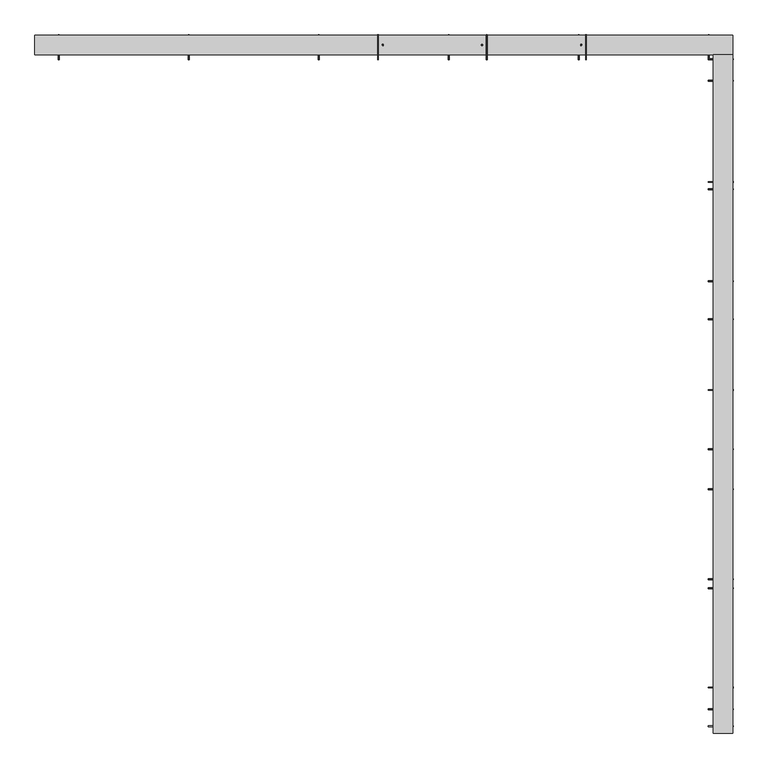
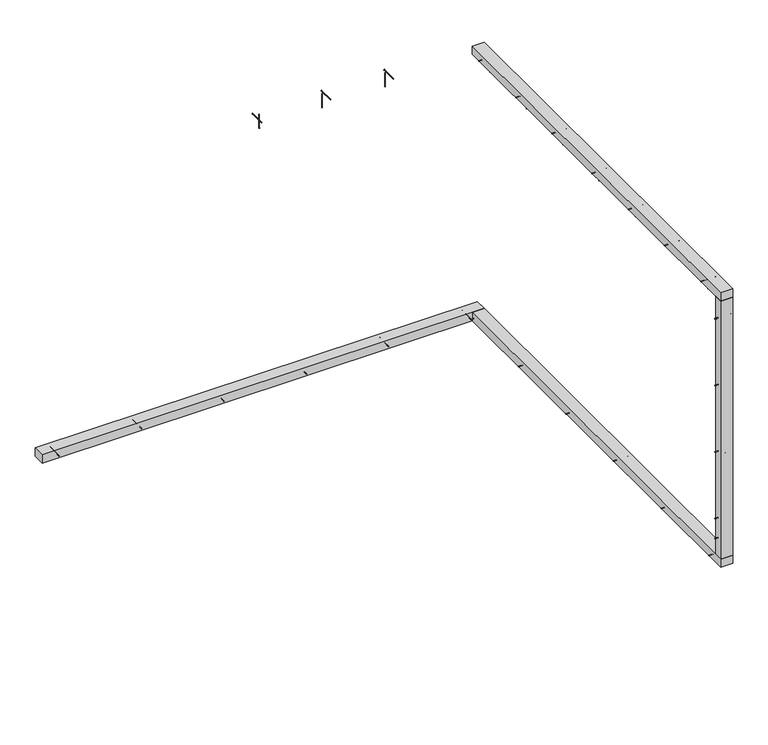
"""IFC4 building model written with IfcOpenShell, lengths in millimetres: proxy geometry."""

import ifcopenshell
import ifcopenshell.guid

model = None  # the IFC model being written
_history = None  # IfcOwnerHistory: only IFC2X3 demands one
_inside = {}  # id of a spatial element -> (the spatial element, [elements in it])
_under = {}  # id of a project, library or spatial element -> (it, [spatial elements below it])
_declared = {}  # id of a project -> (the project, [libraries it declares])
_typed = {}  # id of a type object -> (the type object, [elements of that type])
_made_of = {}  # id of a material, layer set ... -> (it, [elements and type objects made of it])


def new_model(schema):
    """Start an empty IFC model of exactly this schema.

    Asked for "IFC4X3", IfcOpenShell would pick the latest addendum, in which some entities
    have other attributes; the version numbers below select the first issue.
    IFC2X3 requires an IfcOwnerHistory on every rooted entity: one is made here for all.
    """
    global model, _history
    if schema == "IFC4X3":
        model = ifcopenshell.file(schema_version=(4, 3, 0, 0))
    else:
        model = ifcopenshell.file(schema=schema)
    _inside.clear()
    _under.clear()
    _declared.clear()
    _typed.clear()
    _made_of.clear()
    _history = None
    if model.schema == "IFC2X3":
        org = make("IfcOrganization", Name="unknown")
        user = make(
            "IfcPersonAndOrganization",
            ThePerson=make("IfcPerson", FamilyName="unknown"),
            TheOrganization=org,
        )
        app = make(
            "IfcApplication",
            ApplicationDeveloper=org,
            Version="unknown",
            ApplicationFullName="unknown",
            ApplicationIdentifier="unknown",
        )
        _history = make(
            "IfcOwnerHistory",
            OwningUser=user,
            OwningApplication=app,
            ChangeAction="ADDED",
            CreationDate=0,
        )
    return model


def make(cls, **values):
    """One entity of the class cls with the attributes given. An attribute that is None is left unset."""
    return model.create_entity(
        cls, **{name: value for name, value in values.items() if value is not None}
    )


def rooted(cls, **values):
    """An entity with a GlobalId (a new one), such as an element, a storey or a relation."""
    return make(cls, GlobalId=ifcopenshell.guid.new(), OwnerHistory=_history, **values)


def si_unit(unit_type, name, prefix=None):
    """IfcSIUnit, for example si_unit("LENGTHUNIT", "METRE", prefix="MILLI")."""
    return make("IfcSIUnit", UnitType=unit_type, Prefix=prefix, Name=name)


def assignment(units):
    """IfcUnitAssignment: the units of a project."""
    return None if units is None else make("IfcUnitAssignment", Units=units)


def point(xyz):
    """IfcCartesianPoint."""
    return None if xyz is None else make("IfcCartesianPoint", Coordinates=xyz)


def direction(xyz):
    """IfcDirection."""
    return None if xyz is None else make("IfcDirection", DirectionRatios=xyz)


def frame(location, z_axis=None, x_axis=None):
    """IfcAxis2Placement3D, a coordinate frame: its origin and axes. An axis left out is left unset."""
    return make(
        "IfcAxis2Placement3D",
        Location=point(location),
        Axis=direction(z_axis),
        RefDirection=direction(x_axis),
    )


def frame_2d(location, x_axis=None):
    """IfcAxis2Placement2D, a coordinate frame in the plane: its origin and x axis."""
    return make(
        "IfcAxis2Placement2D", Location=point(location), RefDirection=direction(x_axis)
    )


def origin():
    """The frame at (0, 0, 0) with its axes left unset."""
    return frame((0.0, 0.0, 0.0))


def origin_with_axes():
    """The frame at (0, 0, 0) with the z axis (0, 0, 1) and the x axis (1, 0, 0) written out."""
    return frame((0.0, 0.0, 0.0), z_axis=(0.0, 0.0, 1.0), x_axis=(1.0, 0.0, 0.0))


def place(relative_to, where):
    """IfcLocalPlacement: puts the frame where relative to a parent placement (None: the world)."""
    return make(
        "IfcLocalPlacement", PlacementRelTo=relative_to, RelativePlacement=where
    )


def context(
    kind, dimensions, precision=None, world=None, true_north=None, identifier=None
):
    """IfcGeometricRepresentationContext, for example the 3D "Model" context."""
    return make(
        "IfcGeometricRepresentationContext",
        ContextIdentifier=identifier,
        ContextType=kind,
        CoordinateSpaceDimension=dimensions,
        Precision=precision,
        WorldCoordinateSystem=world,
        TrueNorth=true_north,
    )


def project(units=None, contexts=None):
    """IfcProject with its units and contexts."""
    return rooted(
        "IfcProject",
        Name="project",
        RepresentationContexts=contexts,
        UnitsInContext=assignment(units),
    )


def spatial(cls, under=None, at=None, **own):
    """A site, building, storey or space (cls), placed at a placement, below another one or the project."""
    s = rooted(cls, ObjectPlacement=at, **own)
    if under is not None:
        _under.setdefault(under.id(), (under, []))[1].append(s)
    return s


def polyline(points):
    """IfcPolyline through the points."""
    return make("IfcPolyline", Points=[point(p) for p in points])


def circle_curve(where, radius):
    """IfcCircle in the frame where."""
    return make("IfcCircle", Position=where, Radius=radius)


def trimmed(basis, trim1, trim2, sense, master):
    """IfcTrimmedCurve: the piece of a basis curve between two trims."""
    return make(
        "IfcTrimmedCurve",
        BasisCurve=basis,
        Trim1=trim1,
        Trim2=trim2,
        SenseAgreement=sense,
        MasterRepresentation=master,
    )


def segment(curve, same_sense, transition):
    """IfcCompositeCurveSegment."""
    return make(
        "IfcCompositeCurveSegment",
        Transition=transition,
        SameSense=same_sense,
        ParentCurve=curve,
    )


def composite_curve(segments, self_intersect=None):
    """IfcCompositeCurve: segments joined end to end."""
    return make("IfcCompositeCurve", Segments=segments, SelfIntersect=self_intersect)


def outline(outer, holes=None, kind="AREA"):
    """IfcArbitraryClosedProfileDef: a profile drawn as a closed curve; with holes, ...WithVoids."""
    if holes is None:
        return make("IfcArbitraryClosedProfileDef", ProfileType=kind, OuterCurve=outer)
    return make(
        "IfcArbitraryProfileDefWithVoids",
        ProfileType=kind,
        OuterCurve=outer,
        InnerCurves=holes,
    )


def extrude(swept, where, along, depth):
    """IfcExtrudedAreaSolid: the profile swept, set in the frame where, extruded along a direction by depth."""
    return make(
        "IfcExtrudedAreaSolid",
        SweptArea=swept,
        Position=where,
        ExtrudedDirection=direction(along),
        Depth=depth,
    )


def shape(context_of_items, identifier, shape_type, items):
    """IfcShapeRepresentation: the items that make up one representation, for example the "Body"."""
    return make(
        "IfcShapeRepresentation",
        ContextOfItems=context_of_items,
        RepresentationIdentifier=identifier,
        RepresentationType=shape_type,
        Items=items,
    )


def source(mapping_origin, context_of_items, identifier, shape_type, items):
    """IfcRepresentationMap: a shape defined once, which mapped items show again and again."""
    return make(
        "IfcRepresentationMap",
        MappingOrigin=mapping_origin,
        MappedRepresentation=shape(context_of_items, identifier, shape_type, items),
    )


def transform(
    local_origin,
    x_axis=None,
    y_axis=None,
    z_axis=None,
    scale=None,
    scale2=None,
    scale3=None,
    uniform=True,
):
    """IfcCartesianTransformationOperator3D, or its non-uniform kind. x_axis, y_axis, z_axis: its Axis1, 2, 3."""
    if uniform:
        return make(
            "IfcCartesianTransformationOperator3D",
            Axis1=direction(x_axis),
            Axis2=direction(y_axis),
            LocalOrigin=point(local_origin),
            Scale=scale,
            Axis3=direction(z_axis),
        )
    return make(
        "IfcCartesianTransformationOperator3DnonUniform",
        Axis1=direction(x_axis),
        Axis2=direction(y_axis),
        LocalOrigin=point(local_origin),
        Scale=scale,
        Axis3=direction(z_axis),
        Scale2=scale2,
        Scale3=scale3,
    )


def mapped(mapping_source, mapping_target):
    """IfcMappedItem: shows the shape of a source again, moved by a transform."""
    return make(
        "IfcMappedItem", MappingSource=mapping_source, MappingTarget=mapping_target
    )


def made_of(thing, what):
    """Note that an element or type object is made of a material, layer set ...; save() writes the relation."""
    if what is not None:
        _made_of.setdefault(what.id(), (what, []))[1].append(thing)
    return thing


def element(
    cls,
    number,
    at=None,
    inside=None,
    cuts=None,
    type_object=None,
    material=None,
    context=None,
    identifier="Body",
    shape_type=None,
    held_by="IfcProductDefinitionShape",
    body=None,
    shapes=None,
    **own,
):
    """One element of the class cls, such as IfcWall. Its Tag is "e" and its number.

    at: its placement. inside: the storey or other place that contains it. cuts: it is an
    opening in that element (IfcRelVoidsElement). A single representation is given by context,
    identifier, shape_type and body (its items); several are given by shapes. held_by: the class
    of the entity that holds the representations. save() writes the other relations.
    """
    e = rooted(cls, Tag="e%d" % number, ObjectPlacement=at, **own)
    if body is not None:
        shapes = [shape(context, identifier, shape_type, body)]
    if shapes is not None:
        e.Representation = make(held_by, Representations=shapes)
    if inside is not None:
        _inside.setdefault(inside.id(), (inside, []))[1].append(e)
    if cuts is not None:
        rooted(
            "IfcRelVoidsElement", RelatingBuildingElement=cuts, RelatedOpeningElement=e
        )
    if type_object is not None:
        _typed.setdefault(type_object.id(), (type_object, []))[1].append(e)
    return made_of(e, material)


def aggregate(whole, parts):
    """IfcRelAggregates: a whole, such as a stair, and the parts it consists of."""
    return rooted("IfcRelAggregates", RelatingObject=whole, RelatedObjects=parts)


def save(model, path):
    """Write the relations noted so far, then the file.

    IfcRelAggregates (storeys below a building ...), IfcRelContainedInSpatialStructure (elements
    in a storey), IfcRelDefinesByType, IfcRelAssociatesMaterial and IfcRelDeclares: one each for
    every whole, place, type object, material and project.
    """
    for whole, parts in _under.values():
        aggregate(whole, parts)
    for where, things in _inside.values():
        rooted(
            "IfcRelContainedInSpatialStructure",
            RelatedElements=things,
            RelatingStructure=where,
        )
    for kind, things in _typed.values():
        rooted("IfcRelDefinesByType", RelatedObjects=things, RelatingType=kind)
    for what, things in _made_of.values():
        rooted("IfcRelAssociatesMaterial", RelatedObjects=things, RelatingMaterial=what)
    for by, libraries in _declared.values():
        rooted("IfcRelDeclares", RelatingContext=by, RelatedDefinitions=libraries)
    model.write(path)


def generic_models_c0e36dab(model_context):
    return source(origin(), model_context, "Body", "SweptSolid", [
        extrude(outline(composite_curve([segment(trimmed(circle_curve(frame_2d((-705.0, 42.5)), 2.4700592), [point((-705.0, 44.9700592))], [point((-705.0, 40.0299408))], False, "CARTESIAN"), True, "CONTINUOUS"), segment(trimmed(circle_curve(frame_2d((-705.0, 42.5)), 2.4700592), [point((-705.0, 40.0299408))], [point((-705.0, 44.9700592))], False, "CARTESIAN"), True, "CONTINUOUS")], self_intersect=False)), frame((2220.5, 0.0, 0.0), z_axis=(1.0, 0.0, 0.0), x_axis=(0.0, 1.0, 0.0)), (0.0, 0.0, 1.0), 152.0),
        extrude(outline(composite_curve([segment(trimmed(circle_curve(frame_2d((-705.0, 42.5)), 3.8), [point((-705.0, 46.3))], [point((-705.0, 38.7))], False, "CARTESIAN"), True, "CONTINUOUS"), segment(trimmed(circle_curve(frame_2d((-705.0, 42.5)), 3.8), [point((-705.0, 38.7))], [point((-705.0, 46.3))], False, "CARTESIAN"), True, "CONTINUOUS")], self_intersect=False)), frame((2372.5, 0.0, 0.0), z_axis=(1.0, 0.0, 0.0), x_axis=(0.0, 1.0, 0.0)), (0.0, 0.0, 1.0), 3.0),
        extrude(outline(composite_curve([segment(trimmed(circle_curve(frame_2d((-1520.0, 42.5)), 2.4700592), [point((-1520.0, 44.9700592))], [point((-1520.0, 40.0299408))], False, "CARTESIAN"), True, "CONTINUOUS"), segment(trimmed(circle_curve(frame_2d((-1520.0, 42.5)), 2.4700592), [point((-1520.0, 40.0299408))], [point((-1520.0, 44.9700592))], False, "CARTESIAN"), True, "CONTINUOUS")], self_intersect=False)), frame((2220.5, 0.0, 0.0), z_axis=(1.0, 0.0, 0.0), x_axis=(0.0, 1.0, 0.0)), (0.0, 0.0, 1.0), 152.0),
        extrude(outline(composite_curve([segment(trimmed(circle_curve(frame_2d((-1520.0, 42.5)), 3.8), [point((-1520.0, 46.3))], [point((-1520.0, 38.7))], False, "CARTESIAN"), True, "CONTINUOUS"), segment(trimmed(circle_curve(frame_2d((-1520.0, 42.5)), 3.8), [point((-1520.0, 38.7))], [point((-1520.0, 46.3))], False, "CARTESIAN"), True, "CONTINUOUS")], self_intersect=False)), frame((2372.5, 0.0, 0.0), z_axis=(1.0, 0.0, 0.0), x_axis=(0.0, 1.0, 0.0)), (0.0, 0.0, 1.0), 3.0),
        extrude(outline(composite_curve([segment(trimmed(circle_curve(frame_2d((-2335.0, 42.5)), 2.4700592), [point((-2335.0, 44.9700592))], [point((-2335.0, 40.0299408))], False, "CARTESIAN"), True, "CONTINUOUS"), segment(trimmed(circle_curve(frame_2d((-2335.0, 42.5)), 2.4700592), [point((-2335.0, 40.0299408))], [point((-2335.0, 44.9700592))], False, "CARTESIAN"), True, "CONTINUOUS")], self_intersect=False)), frame((2220.5, 0.0, 0.0), z_axis=(1.0, 0.0, 0.0), x_axis=(0.0, 1.0, 0.0)), (0.0, 0.0, 1.0), 152.0),
        extrude(outline(composite_curve([segment(trimmed(circle_curve(frame_2d((-2335.0, 42.5)), 3.8), [point((-2335.0, 46.3))], [point((-2335.0, 38.7))], False, "CARTESIAN"), True, "CONTINUOUS"), segment(trimmed(circle_curve(frame_2d((-2335.0, 42.5)), 3.8), [point((-2335.0, 38.7))], [point((-2335.0, 46.3))], False, "CARTESIAN"), True, "CONTINUOUS")], self_intersect=False)), frame((2372.5, 0.0, 0.0), z_axis=(1.0, 0.0, 0.0), x_axis=(0.0, 1.0, 0.0)), (0.0, 0.0, 1.0), 3.0),
        extrude(outline(composite_curve([segment(trimmed(circle_curve(frame_2d((-3150.0, 42.5)), 2.4700592), [point((-3150.0, 44.9700592))], [point((-3150.0, 40.0299408))], False, "CARTESIAN"), True, "CONTINUOUS"), segment(trimmed(circle_curve(frame_2d((-3150.0, 42.5)), 2.4700592), [point((-3150.0, 40.0299408))], [point((-3150.0, 44.9700592))], False, "CARTESIAN"), True, "CONTINUOUS")], self_intersect=False)), frame((2220.5, 0.0, 0.0), z_axis=(1.0, 0.0, 0.0), x_axis=(0.0, 1.0, 0.0)), (0.0, 0.0, 1.0), 152.0),
        extrude(outline(composite_curve([segment(trimmed(circle_curve(frame_2d((-3150.0, 42.5)), 3.8), [point((-3150.0, 46.3))], [point((-3150.0, 38.7))], False, "CARTESIAN"), True, "CONTINUOUS"), segment(trimmed(circle_curve(frame_2d((-3150.0, 42.5)), 3.8), [point((-3150.0, 38.7))], [point((-3150.0, 46.3))], False, "CARTESIAN"), True, "CONTINUOUS")], self_intersect=False)), frame((2372.5, 0.0, 0.0), z_axis=(1.0, 0.0, 0.0), x_axis=(0.0, 1.0, 0.0)), (0.0, 0.0, 1.0), 3.0),
        extrude(outline(composite_curve([segment(trimmed(circle_curve(frame_2d((110.0, 42.5)), 2.4700592), [point((110.0, 44.9700592))], [point((110.0, 40.0299408))], False, "CARTESIAN"), True, "CONTINUOUS"), segment(trimmed(circle_curve(frame_2d((110.0, 42.5)), 2.4700592), [point((110.0, 40.0299408))], [point((110.0, 44.9700592))], False, "CARTESIAN"), True, "CONTINUOUS")], self_intersect=False)), frame((2220.5, 0.0, 0.0), z_axis=(1.0, 0.0, 0.0), x_axis=(0.0, 1.0, 0.0)), (0.0, 0.0, 1.0), 152.0),
        extrude(outline(composite_curve([segment(trimmed(circle_curve(frame_2d((110.0, 42.5)), 3.8), [point((110.0, 46.3))], [point((110.0, 38.7))], False, "CARTESIAN"), True, "CONTINUOUS"), segment(trimmed(circle_curve(frame_2d((110.0, 42.5)), 3.8), [point((110.0, 38.7))], [point((110.0, 46.3))], False, "CARTESIAN"), True, "CONTINUOUS")], self_intersect=False)), frame((2372.5, 0.0, 0.0), z_axis=(1.0, 0.0, 0.0), x_axis=(0.0, 1.0, 0.0)), (0.0, 0.0, 1.0), 3.0),
        extrude(outline(composite_curve([segment(trimmed(circle_curve(frame_2d((-3965.0, 42.5)), 2.4700592), [point((-3965.0, 44.9700592))], [point((-3965.0, 40.0299408))], False, "CARTESIAN"), True, "CONTINUOUS"), segment(trimmed(circle_curve(frame_2d((-3965.0, 42.5)), 2.4700592), [point((-3965.0, 40.0299408))], [point((-3965.0, 44.9700592))], False, "CARTESIAN"), True, "CONTINUOUS")], self_intersect=False)), frame((2220.5, 0.0, 0.0), z_axis=(1.0, 0.0, 0.0), x_axis=(0.0, 1.0, 0.0)), (0.0, 0.0, 1.0), 152.0),
        extrude(outline(composite_curve([segment(trimmed(circle_curve(frame_2d((-3965.0, 42.5)), 3.8), [point((-3965.0, 46.3))], [point((-3965.0, 38.7))], False, "CARTESIAN"), True, "CONTINUOUS"), segment(trimmed(circle_curve(frame_2d((-3965.0, 42.5)), 3.8), [point((-3965.0, 38.7))], [point((-3965.0, 46.3))], False, "CARTESIAN"), True, "CONTINUOUS")], self_intersect=False)), frame((2372.5, 0.0, 0.0), z_axis=(1.0, 0.0, 0.0), x_axis=(0.0, 1.0, 0.0)), (0.0, 0.0, 1.0), 3.0),
        extrude(outline(polyline([(2252.5, 140.0), (2372.5, 140.0), (2372.5, -4115.0), (2252.5, -4115.0), (2252.5, 140.0)])), origin_with_axes(), (0.0, 0.0, 1.0), 85.0),
        extrude(outline(composite_curve([segment(trimmed(circle_curve(frame_2d((-1281.3333333, 2827.5)), 2.4700592), [point((-1281.3333333, 2829.9700592))], [point((-1281.3333333, 2825.0299408))], False, "CARTESIAN"), True, "CONTINUOUS"), segment(trimmed(circle_curve(frame_2d((-1281.3333333, 2827.5)), 2.4700592), [point((-1281.3333333, 2825.0299408))], [point((-1281.3333333, 2829.9700592))], False, "CARTESIAN"), True, "CONTINUOUS")], self_intersect=False)), frame((2220.5, 0.0, 0.0), z_axis=(1.0, 0.0, 0.0), x_axis=(0.0, 1.0, 0.0)), (0.0, 0.0, 1.0), 152.0),
        extrude(outline(composite_curve([segment(trimmed(circle_curve(frame_2d((-1281.3333333, 2827.5)), 3.8), [point((-1281.3333333, 2831.3))], [point((-1281.3333333, 2823.7))], False, "CARTESIAN"), True, "CONTINUOUS"), segment(trimmed(circle_curve(frame_2d((-1281.3333333, 2827.5)), 3.8), [point((-1281.3333333, 2823.7))], [point((-1281.3333333, 2831.3))], False, "CARTESIAN"), True, "CONTINUOUS")], self_intersect=False)), frame((2372.5, 0.0, 0.0), z_axis=(1.0, 0.0, 0.0), x_axis=(0.0, 1.0, 0.0)), (0.0, 0.0, 1.0), 3.0),
        extrude(outline(composite_curve([segment(trimmed(circle_curve(frame_2d((2312.5, -1311.3333333)), 2.4700592), [point((2310.0299408, -1311.3333333))], [point((2314.9700592, -1311.3333333))], False, "CARTESIAN"), True, "CONTINUOUS"), segment(trimmed(circle_curve(frame_2d((2312.5, -1311.3333333)), 2.4700592), [point((2314.9700592, -1311.3333333))], [point((2310.0299408, -1311.3333333))], False, "CARTESIAN"), True, "CONTINUOUS")], self_intersect=False)), frame((0.0, 0.0, 2705.0), z_axis=(0.0, 0.0, 1.0), x_axis=(1.0, 0.0, 0.0)), (0.0, 0.0, 1.0), 140.0),
        extrude(outline(composite_curve([segment(trimmed(circle_curve(frame_2d((2312.5, -1311.3333333)), 3.8), [point((2308.7, -1311.3333333))], [point((2316.3, -1311.3333333))], False, "CARTESIAN"), True, "CONTINUOUS"), segment(trimmed(circle_curve(frame_2d((2312.5, -1311.3333333)), 3.8), [point((2316.3, -1311.3333333))], [point((2308.7, -1311.3333333))], False, "CARTESIAN"), True, "CONTINUOUS")], self_intersect=False)), frame((0.0, 0.0, 2702.0), z_axis=(0.0, 0.0, 1.0), x_axis=(1.0, 0.0, 0.0)), (0.0, 0.0, 1.0), 3.0),
        extrude(outline(composite_curve([segment(trimmed(circle_curve(frame_2d((-1963.5, 2827.5)), 2.4700592), [point((-1963.5, 2829.9700592))], [point((-1963.5, 2825.0299408))], False, "CARTESIAN"), True, "CONTINUOUS"), segment(trimmed(circle_curve(frame_2d((-1963.5, 2827.5)), 2.4700592), [point((-1963.5, 2825.0299408))], [point((-1963.5, 2829.9700592))], False, "CARTESIAN"), True, "CONTINUOUS")], self_intersect=False)), frame((2220.5, 0.0, 0.0), z_axis=(1.0, 0.0, 0.0), x_axis=(0.0, 1.0, 0.0)), (0.0, 0.0, 1.0), 152.0),
        extrude(outline(composite_curve([segment(trimmed(circle_curve(frame_2d((-1963.5, 2827.5)), 3.8), [point((-1963.5, 2831.3))], [point((-1963.5, 2823.7))], False, "CARTESIAN"), True, "CONTINUOUS"), segment(trimmed(circle_curve(frame_2d((-1963.5, 2827.5)), 3.8), [point((-1963.5, 2823.7))], [point((-1963.5, 2831.3))], False, "CARTESIAN"), True, "CONTINUOUS")], self_intersect=False)), frame((2372.5, 0.0, 0.0), z_axis=(1.0, 0.0, 0.0), x_axis=(0.0, 1.0, 0.0)), (0.0, 0.0, 1.0), 3.0),
        extrude(outline(composite_curve([segment(trimmed(circle_curve(frame_2d((2312.5, -1933.5)), 2.4700592), [point((2310.0299408, -1933.5))], [point((2314.9700592, -1933.5))], False, "CARTESIAN"), True, "CONTINUOUS"), segment(trimmed(circle_curve(frame_2d((2312.5, -1933.5)), 2.4700592), [point((2314.9700592, -1933.5))], [point((2310.0299408, -1933.5))], False, "CARTESIAN"), True, "CONTINUOUS")], self_intersect=False)), frame((0.0, 0.0, 2705.0), z_axis=(0.0, 0.0, 1.0), x_axis=(1.0, 0.0, 0.0)), (0.0, 0.0, 1.0), 140.0),
        extrude(outline(composite_curve([segment(trimmed(circle_curve(frame_2d((2312.5, -1933.5)), 3.8), [point((2308.7, -1933.5))], [point((2316.3, -1933.5))], False, "CARTESIAN"), True, "CONTINUOUS"), segment(trimmed(circle_curve(frame_2d((2312.5, -1933.5)), 3.8), [point((2316.3, -1933.5))], [point((2308.7, -1933.5))], False, "CARTESIAN"), True, "CONTINUOUS")], self_intersect=False)), frame((0.0, 0.0, 2702.0), z_axis=(0.0, 0.0, 1.0), x_axis=(1.0, 0.0, 0.0)), (0.0, 0.0, 1.0), 3.0),
        extrude(outline(composite_curve([segment(trimmed(circle_curve(frame_2d((-659.1666667, 2827.5)), 2.4700592), [point((-659.1666667, 2829.9700592))], [point((-659.1666667, 2825.0299408))], False, "CARTESIAN"), True, "CONTINUOUS"), segment(trimmed(circle_curve(frame_2d((-659.1666667, 2827.5)), 2.4700592), [point((-659.1666667, 2825.0299408))], [point((-659.1666667, 2829.9700592))], False, "CARTESIAN"), True, "CONTINUOUS")], self_intersect=False)), frame((2220.5, 0.0, 0.0), z_axis=(1.0, 0.0, 0.0), x_axis=(0.0, 1.0, 0.0)), (0.0, 0.0, 1.0), 152.0),
        extrude(outline(composite_curve([segment(trimmed(circle_curve(frame_2d((-659.1666667, 2827.5)), 3.8), [point((-659.1666667, 2831.3))], [point((-659.1666667, 2823.7))], False, "CARTESIAN"), True, "CONTINUOUS"), segment(trimmed(circle_curve(frame_2d((-659.1666667, 2827.5)), 3.8), [point((-659.1666667, 2823.7))], [point((-659.1666667, 2831.3))], False, "CARTESIAN"), True, "CONTINUOUS")], self_intersect=False)), frame((2372.5, 0.0, 0.0), z_axis=(1.0, 0.0, 0.0), x_axis=(0.0, 1.0, 0.0)), (0.0, 0.0, 1.0), 3.0),
        extrude(outline(composite_curve([segment(trimmed(circle_curve(frame_2d((2312.5, -689.1666667)), 2.4700592), [point((2310.0299408, -689.1666667))], [point((2314.9700592, -689.1666667))], False, "CARTESIAN"), True, "CONTINUOUS"), segment(trimmed(circle_curve(frame_2d((2312.5, -689.1666667)), 2.4700592), [point((2314.9700592, -689.1666667))], [point((2310.0299408, -689.1666667))], False, "CARTESIAN"), True, "CONTINUOUS")], self_intersect=False)), frame((0.0, 0.0, 2705.0), z_axis=(0.0, 0.0, 1.0), x_axis=(1.0, 0.0, 0.0)), (0.0, 0.0, 1.0), 140.0),
        extrude(outline(composite_curve([segment(trimmed(circle_curve(frame_2d((2312.5, -689.1666667)), 3.8), [point((2308.7, -689.1666667))], [point((2316.3, -689.1666667))], False, "CARTESIAN"), True, "CONTINUOUS"), segment(trimmed(circle_curve(frame_2d((2312.5, -689.1666667)), 3.8), [point((2316.3, -689.1666667))], [point((2308.7, -689.1666667))], False, "CARTESIAN"), True, "CONTINUOUS")], self_intersect=False)), frame((0.0, 0.0, 2702.0), z_axis=(0.0, 0.0, 1.0), x_axis=(1.0, 0.0, 0.0)), (0.0, 0.0, 1.0), 3.0),
        extrude(outline(composite_curve([segment(trimmed(circle_curve(frame_2d((-2585.6666667, 2827.5)), 2.4700592), [point((-2585.6666667, 2829.9700592))], [point((-2585.6666667, 2825.0299408))], False, "CARTESIAN"), True, "CONTINUOUS"), segment(trimmed(circle_curve(frame_2d((-2585.6666667, 2827.5)), 2.4700592), [point((-2585.6666667, 2825.0299408))], [point((-2585.6666667, 2829.9700592))], False, "CARTESIAN"), True, "CONTINUOUS")], self_intersect=False)), frame((2220.5, 0.0, 0.0), z_axis=(1.0, 0.0, 0.0), x_axis=(0.0, 1.0, 0.0)), (0.0, 0.0, 1.0), 152.0),
        extrude(outline(composite_curve([segment(trimmed(circle_curve(frame_2d((-2585.6666667, 2827.5)), 3.8), [point((-2585.6666667, 2831.3))], [point((-2585.6666667, 2823.7))], False, "CARTESIAN"), True, "CONTINUOUS"), segment(trimmed(circle_curve(frame_2d((-2585.6666667, 2827.5)), 3.8), [point((-2585.6666667, 2823.7))], [point((-2585.6666667, 2831.3))], False, "CARTESIAN"), True, "CONTINUOUS")], self_intersect=False)), frame((2372.5, 0.0, 0.0), z_axis=(1.0, 0.0, 0.0), x_axis=(0.0, 1.0, 0.0)), (0.0, 0.0, 1.0), 3.0),
        extrude(outline(composite_curve([segment(trimmed(circle_curve(frame_2d((2312.5, -2555.6666667)), 2.4700592), [point((2310.0299408, -2555.6666667))], [point((2314.9700592, -2555.6666667))], False, "CARTESIAN"), True, "CONTINUOUS"), segment(trimmed(circle_curve(frame_2d((2312.5, -2555.6666667)), 2.4700592), [point((2314.9700592, -2555.6666667))], [point((2310.0299408, -2555.6666667))], False, "CARTESIAN"), True, "CONTINUOUS")], self_intersect=False)), frame((0.0, 0.0, 2705.0), z_axis=(0.0, 0.0, 1.0), x_axis=(1.0, 0.0, 0.0)), (0.0, 0.0, 1.0), 140.0),
        extrude(outline(composite_curve([segment(trimmed(circle_curve(frame_2d((2312.5, -2555.6666667)), 3.8), [point((2308.7, -2555.6666667))], [point((2316.3, -2555.6666667))], False, "CARTESIAN"), True, "CONTINUOUS"), segment(trimmed(circle_curve(frame_2d((2312.5, -2555.6666667)), 3.8), [point((2316.3, -2555.6666667))], [point((2308.7, -2555.6666667))], False, "CARTESIAN"), True, "CONTINUOUS")], self_intersect=False)), frame((0.0, 0.0, 2702.0), z_axis=(0.0, 0.0, 1.0), x_axis=(1.0, 0.0, 0.0)), (0.0, 0.0, 1.0), 3.0),
        extrude(outline(composite_curve([segment(trimmed(circle_curve(frame_2d((-3207.8333333, 2827.5)), 2.4700592), [point((-3207.8333333, 2829.9700592))], [point((-3207.8333333, 2825.0299408))], False, "CARTESIAN"), True, "CONTINUOUS"), segment(trimmed(circle_curve(frame_2d((-3207.8333333, 2827.5)), 2.4700592), [point((-3207.8333333, 2825.0299408))], [point((-3207.8333333, 2829.9700592))], False, "CARTESIAN"), True, "CONTINUOUS")], self_intersect=False)), frame((2220.5, 0.0, 0.0), z_axis=(1.0, 0.0, 0.0), x_axis=(0.0, 1.0, 0.0)), (0.0, 0.0, 1.0), 152.0),
        extrude(outline(composite_curve([segment(trimmed(circle_curve(frame_2d((-3207.8333333, 2827.5)), 3.8), [point((-3207.8333333, 2831.3))], [point((-3207.8333333, 2823.7))], False, "CARTESIAN"), True, "CONTINUOUS"), segment(trimmed(circle_curve(frame_2d((-3207.8333333, 2827.5)), 3.8), [point((-3207.8333333, 2823.7))], [point((-3207.8333333, 2831.3))], False, "CARTESIAN"), True, "CONTINUOUS")], self_intersect=False)), frame((2372.5, 0.0, 0.0), z_axis=(1.0, 0.0, 0.0), x_axis=(0.0, 1.0, 0.0)), (0.0, 0.0, 1.0), 3.0),
        extrude(outline(composite_curve([segment(trimmed(circle_curve(frame_2d((2312.5, -3177.8333333)), 2.4700592), [point((2310.0299408, -3177.8333333))], [point((2314.9700592, -3177.8333333))], False, "CARTESIAN"), True, "CONTINUOUS"), segment(trimmed(circle_curve(frame_2d((2312.5, -3177.8333333)), 2.4700592), [point((2314.9700592, -3177.8333333))], [point((2310.0299408, -3177.8333333))], False, "CARTESIAN"), True, "CONTINUOUS")], self_intersect=False)), frame((0.0, 0.0, 2705.0), z_axis=(0.0, 0.0, 1.0), x_axis=(1.0, 0.0, 0.0)), (0.0, 0.0, 1.0), 140.0),
        extrude(outline(composite_curve([segment(trimmed(circle_curve(frame_2d((2312.5, -3177.8333333)), 3.8), [point((2308.7, -3177.8333333))], [point((2316.3, -3177.8333333))], False, "CARTESIAN"), True, "CONTINUOUS"), segment(trimmed(circle_curve(frame_2d((2312.5, -3177.8333333)), 3.8), [point((2316.3, -3177.8333333))], [point((2308.7, -3177.8333333))], False, "CARTESIAN"), True, "CONTINUOUS")], self_intersect=False)), frame((0.0, 0.0, 2702.0), z_axis=(0.0, 0.0, 1.0), x_axis=(1.0, 0.0, 0.0)), (0.0, 0.0, 1.0), 3.0),
        extrude(outline(composite_curve([segment(trimmed(circle_curve(frame_2d((2312.5, -67.0)), 2.4700592), [point((2310.0299408, -67.0))], [point((2314.9700592, -67.0))], False, "CARTESIAN"), True, "CONTINUOUS"), segment(trimmed(circle_curve(frame_2d((2312.5, -67.0)), 2.4700592), [point((2314.9700592, -67.0))], [point((2310.0299408, -67.0))], False, "CARTESIAN"), True, "CONTINUOUS")], self_intersect=False)), frame((0.0, 0.0, 2705.0), z_axis=(0.0, 0.0, 1.0), x_axis=(1.0, 0.0, 0.0)), (0.0, 0.0, 1.0), 140.0),
        extrude(outline(composite_curve([segment(trimmed(circle_curve(frame_2d((2312.5, -67.0)), 3.8), [point((2308.7, -67.0))], [point((2316.3, -67.0))], False, "CARTESIAN"), True, "CONTINUOUS"), segment(trimmed(circle_curve(frame_2d((2312.5, -67.0)), 3.8), [point((2316.3, -67.0))], [point((2308.7, -67.0))], False, "CARTESIAN"), True, "CONTINUOUS")], self_intersect=False)), frame((0.0, 0.0, 2702.0), z_axis=(0.0, 0.0, 1.0), x_axis=(1.0, 0.0, 0.0)), (0.0, 0.0, 1.0), 3.0),
        extrude(outline(composite_curve([segment(trimmed(circle_curve(frame_2d((2312.5, -3800.0)), 2.4700592), [point((2310.0299408, -3800.0))], [point((2314.9700592, -3800.0))], False, "CARTESIAN"), True, "CONTINUOUS"), segment(trimmed(circle_curve(frame_2d((2312.5, -3800.0)), 2.4700592), [point((2314.9700592, -3800.0))], [point((2310.0299408, -3800.0))], False, "CARTESIAN"), True, "CONTINUOUS")], self_intersect=False)), frame((0.0, 0.0, 2705.0), z_axis=(0.0, 0.0, 1.0), x_axis=(1.0, 0.0, 0.0)), (0.0, 0.0, 1.0), 140.0),
        extrude(outline(composite_curve([segment(trimmed(circle_curve(frame_2d((2312.5, -3800.0)), 3.8), [point((2308.7, -3800.0))], [point((2316.3, -3800.0))], False, "CARTESIAN"), True, "CONTINUOUS"), segment(trimmed(circle_curve(frame_2d((2312.5, -3800.0)), 3.8), [point((2316.3, -3800.0))], [point((2308.7, -3800.0))], False, "CARTESIAN"), True, "CONTINUOUS")], self_intersect=False)), frame((0.0, 0.0, 2702.0), z_axis=(0.0, 0.0, 1.0), x_axis=(1.0, 0.0, 0.0)), (0.0, 0.0, 1.0), 3.0),
        extrude(outline(composite_curve([segment(trimmed(circle_curve(frame_2d((-3830.0, 2827.5)), 2.4700592), [point((-3830.0, 2829.9700592))], [point((-3830.0, 2825.0299408))], False, "CARTESIAN"), True, "CONTINUOUS"), segment(trimmed(circle_curve(frame_2d((-3830.0, 2827.5)), 2.4700592), [point((-3830.0, 2825.0299408))], [point((-3830.0, 2829.9700592))], False, "CARTESIAN"), True, "CONTINUOUS")], self_intersect=False)), frame((2220.5, 0.0, 0.0), z_axis=(1.0, 0.0, 0.0), x_axis=(0.0, 1.0, 0.0)), (0.0, 0.0, 1.0), 152.0),
        extrude(outline(composite_curve([segment(trimmed(circle_curve(frame_2d((-3830.0, 2827.5)), 3.8), [point((-3830.0, 2831.3))], [point((-3830.0, 2823.7))], False, "CARTESIAN"), True, "CONTINUOUS"), segment(trimmed(circle_curve(frame_2d((-3830.0, 2827.5)), 3.8), [point((-3830.0, 2823.7))], [point((-3830.0, 2831.3))], False, "CARTESIAN"), True, "CONTINUOUS")], self_intersect=False)), frame((2372.5, 0.0, 0.0), z_axis=(1.0, 0.0, 0.0), x_axis=(0.0, 1.0, 0.0)), (0.0, 0.0, 1.0), 3.0),
        extrude(outline(composite_curve([segment(trimmed(circle_curve(frame_2d((-25.0, 2827.5)), 2.4700592), [point((-25.0, 2829.9700592))], [point((-25.0, 2825.0299408))], False, "CARTESIAN"), True, "CONTINUOUS"), segment(trimmed(circle_curve(frame_2d((-25.0, 2827.5)), 2.4700592), [point((-25.0, 2825.0299408))], [point((-25.0, 2829.9700592))], False, "CARTESIAN"), True, "CONTINUOUS")], self_intersect=False)), frame((2220.5, 0.0, 0.0), z_axis=(1.0, 0.0, 0.0), x_axis=(0.0, 1.0, 0.0)), (0.0, 0.0, 1.0), 152.0),
        extrude(outline(composite_curve([segment(trimmed(circle_curve(frame_2d((-25.0, 2827.5)), 3.8), [point((-25.0, 2831.3))], [point((-25.0, 2823.7))], False, "CARTESIAN"), True, "CONTINUOUS"), segment(trimmed(circle_curve(frame_2d((-25.0, 2827.5)), 3.8), [point((-25.0, 2823.7))], [point((-25.0, 2831.3))], False, "CARTESIAN"), True, "CONTINUOUS")], self_intersect=False)), frame((2372.5, 0.0, 0.0), z_axis=(1.0, 0.0, 0.0), x_axis=(0.0, 1.0, 0.0)), (0.0, 0.0, 1.0), 3.0),
        extrude(outline(polyline([(2252.5, 140.0), (2372.5, 140.0), (2372.5, -4115.0), (2252.5, -4115.0), (2252.5, 140.0)])), frame((0.0, 0.0, 2785.0), z_axis=(0.0, 0.0, 1.0), x_axis=(1.0, 0.0, 0.0)), (0.0, 0.0, 1.0), 85.0),
        extrude(outline(composite_curve([segment(trimmed(circle_curve(frame_2d((-4072.5, 495.0)), 2.4700592), [point((-4074.9700592, 495.0))], [point((-4070.0299408, 495.0))], False, "CARTESIAN"), True, "CONTINUOUS"), segment(trimmed(circle_curve(frame_2d((-4072.5, 495.0)), 2.4700592), [point((-4070.0299408, 495.0))], [point((-4074.9700592, 495.0))], False, "CARTESIAN"), True, "CONTINUOUS")], self_intersect=False)), frame((2220.5, 0.0, 0.0), z_axis=(1.0, 0.0, 0.0), x_axis=(0.0, 1.0, 0.0)), (0.0, 0.0, 1.0), 152.0),
        extrude(outline(composite_curve([segment(trimmed(circle_curve(frame_2d((-4072.5, 495.0)), 3.8), [point((-4076.3, 495.0))], [point((-4068.7, 495.0))], False, "CARTESIAN"), True, "CONTINUOUS"), segment(trimmed(circle_curve(frame_2d((-4072.5, 495.0)), 3.8), [point((-4068.7, 495.0))], [point((-4076.3, 495.0))], False, "CARTESIAN"), True, "CONTINUOUS")], self_intersect=False)), frame((2372.5, 0.0, 0.0), z_axis=(1.0, 0.0, 0.0), x_axis=(0.0, 1.0, 0.0)), (0.0, 0.0, 1.0), 3.0),
        extrude(outline(composite_curve([segment(trimmed(circle_curve(frame_2d((-4072.5, 1191.6666667)), 2.4700592), [point((-4074.9700592, 1191.6666667))], [point((-4070.0299408, 1191.6666667))], False, "CARTESIAN"), True, "CONTINUOUS"), segment(trimmed(circle_curve(frame_2d((-4072.5, 1191.6666667)), 2.4700592), [point((-4070.0299408, 1191.6666667))], [point((-4074.9700592, 1191.6666667))], False, "CARTESIAN"), True, "CONTINUOUS")], self_intersect=False)), frame((2220.5, 0.0, 0.0), z_axis=(1.0, 0.0, 0.0), x_axis=(0.0, 1.0, 0.0)), (0.0, 0.0, 1.0), 152.0),
        extrude(outline(composite_curve([segment(trimmed(circle_curve(frame_2d((-4072.5, 1191.6666667)), 3.8), [point((-4076.3, 1191.6666667))], [point((-4068.7, 1191.6666667))], False, "CARTESIAN"), True, "CONTINUOUS"), segment(trimmed(circle_curve(frame_2d((-4072.5, 1191.6666667)), 3.8), [point((-4068.7, 1191.6666667))], [point((-4076.3, 1191.6666667))], False, "CARTESIAN"), True, "CONTINUOUS")], self_intersect=False)), frame((2372.5, 0.0, 0.0), z_axis=(1.0, 0.0, 0.0), x_axis=(0.0, 1.0, 0.0)), (0.0, 0.0, 1.0), 3.0),
        extrude(outline(composite_curve([segment(trimmed(circle_curve(frame_2d((1161.6666667, 2312.5)), 2.4700592), [point((1161.6666667, 2310.0299408))], [point((1161.6666667, 2314.9700592))], False, "CARTESIAN"), True, "CONTINUOUS"), segment(trimmed(circle_curve(frame_2d((1161.6666667, 2312.5)), 2.4700592), [point((1161.6666667, 2314.9700592))], [point((1161.6666667, 2310.0299408))], False, "CARTESIAN"), True, "CONTINUOUS")], self_intersect=False)), frame((0.0, -4090.0, 0.0), z_axis=(0.0, 1.0, 0.0), x_axis=(0.0, 0.0, 1.0)), (0.0, 0.0, 1.0), 140.0),
        extrude(outline(composite_curve([segment(trimmed(circle_curve(frame_2d((1161.6666667, 2312.5)), 3.8), [point((1161.6666667, 2308.7))], [point((1161.6666667, 2316.3))], False, "CARTESIAN"), True, "CONTINUOUS"), segment(trimmed(circle_curve(frame_2d((1161.6666667, 2312.5)), 3.8), [point((1161.6666667, 2316.3))], [point((1161.6666667, 2308.7))], False, "CARTESIAN"), True, "CONTINUOUS")], self_intersect=False)), frame((0.0, -3950.0, 0.0), z_axis=(0.0, 1.0, 0.0), x_axis=(0.0, 0.0, 1.0)), (0.0, 0.0, 1.0), 3.0),
        extrude(outline(composite_curve([segment(trimmed(circle_curve(frame_2d((-4072.5, 1888.3333333)), 2.4700592), [point((-4074.9700592, 1888.3333333))], [point((-4070.0299408, 1888.3333333))], False, "CARTESIAN"), True, "CONTINUOUS"), segment(trimmed(circle_curve(frame_2d((-4072.5, 1888.3333333)), 2.4700592), [point((-4070.0299408, 1888.3333333))], [point((-4074.9700592, 1888.3333333))], False, "CARTESIAN"), True, "CONTINUOUS")], self_intersect=False)), frame((2220.5, 0.0, 0.0), z_axis=(1.0, 0.0, 0.0), x_axis=(0.0, 1.0, 0.0)), (0.0, 0.0, 1.0), 152.0),
        extrude(outline(composite_curve([segment(trimmed(circle_curve(frame_2d((-4072.5, 1888.3333333)), 3.8), [point((-4076.3, 1888.3333333))], [point((-4068.7, 1888.3333333))], False, "CARTESIAN"), True, "CONTINUOUS"), segment(trimmed(circle_curve(frame_2d((-4072.5, 1888.3333333)), 3.8), [point((-4068.7, 1888.3333333))], [point((-4076.3, 1888.3333333))], False, "CARTESIAN"), True, "CONTINUOUS")], self_intersect=False)), frame((2372.5, 0.0, 0.0), z_axis=(1.0, 0.0, 0.0), x_axis=(0.0, 1.0, 0.0)), (0.0, 0.0, 1.0), 3.0),
        extrude(outline(composite_curve([segment(trimmed(circle_curve(frame_2d((1858.3333333, 2312.5)), 2.4700592), [point((1858.3333333, 2310.0299408))], [point((1858.3333333, 2314.9700592))], False, "CARTESIAN"), True, "CONTINUOUS"), segment(trimmed(circle_curve(frame_2d((1858.3333333, 2312.5)), 2.4700592), [point((1858.3333333, 2314.9700592))], [point((1858.3333333, 2310.0299408))], False, "CARTESIAN"), True, "CONTINUOUS")], self_intersect=False)), frame((0.0, -4090.0, 0.0), z_axis=(0.0, 1.0, 0.0), x_axis=(0.0, 0.0, 1.0)), (0.0, 0.0, 1.0), 140.0),
        extrude(outline(composite_curve([segment(trimmed(circle_curve(frame_2d((1858.3333333, 2312.5)), 3.8), [point((1858.3333333, 2308.7))], [point((1858.3333333, 2316.3))], False, "CARTESIAN"), True, "CONTINUOUS"), segment(trimmed(circle_curve(frame_2d((1858.3333333, 2312.5)), 3.8), [point((1858.3333333, 2316.3))], [point((1858.3333333, 2308.7))], False, "CARTESIAN"), True, "CONTINUOUS")], self_intersect=False)), frame((0.0, -3950.0, 0.0), z_axis=(0.0, 1.0, 0.0), x_axis=(0.0, 0.0, 1.0)), (0.0, 0.0, 1.0), 3.0),
        extrude(outline(composite_curve([segment(trimmed(circle_curve(frame_2d((465.0, 2312.5)), 2.4700592), [point((465.0, 2310.0299408))], [point((465.0, 2314.9700592))], False, "CARTESIAN"), True, "CONTINUOUS"), segment(trimmed(circle_curve(frame_2d((465.0, 2312.5)), 2.4700592), [point((465.0, 2314.9700592))], [point((465.0, 2310.0299408))], False, "CARTESIAN"), True, "CONTINUOUS")], self_intersect=False)), frame((0.0, -4090.0, 0.0), z_axis=(0.0, 1.0, 0.0), x_axis=(0.0, 0.0, 1.0)), (0.0, 0.0, 1.0), 140.0),
        extrude(outline(composite_curve([segment(trimmed(circle_curve(frame_2d((465.0, 2312.5)), 3.8), [point((465.0, 2308.7))], [point((465.0, 2316.3))], False, "CARTESIAN"), True, "CONTINUOUS"), segment(trimmed(circle_curve(frame_2d((465.0, 2312.5)), 3.8), [point((465.0, 2316.3))], [point((465.0, 2308.7))], False, "CARTESIAN"), True, "CONTINUOUS")], self_intersect=False)), frame((0.0, -3950.0, 0.0), z_axis=(0.0, 1.0, 0.0), x_axis=(0.0, 0.0, 1.0)), (0.0, 0.0, 1.0), 3.0),
        extrude(outline(composite_curve([segment(trimmed(circle_curve(frame_2d((2555.0, 2312.5)), 2.4700592), [point((2555.0, 2310.0299408))], [point((2555.0, 2314.9700592))], False, "CARTESIAN"), True, "CONTINUOUS"), segment(trimmed(circle_curve(frame_2d((2555.0, 2312.5)), 2.4700592), [point((2555.0, 2314.9700592))], [point((2555.0, 2310.0299408))], False, "CARTESIAN"), True, "CONTINUOUS")], self_intersect=False)), frame((0.0, -4090.0, 0.0), z_axis=(0.0, 1.0, 0.0), x_axis=(0.0, 0.0, 1.0)), (0.0, 0.0, 1.0), 140.0),
        extrude(outline(composite_curve([segment(trimmed(circle_curve(frame_2d((2555.0, 2312.5)), 3.8), [point((2555.0, 2308.7))], [point((2555.0, 2316.3))], False, "CARTESIAN"), True, "CONTINUOUS"), segment(trimmed(circle_curve(frame_2d((2555.0, 2312.5)), 3.8), [point((2555.0, 2316.3))], [point((2555.0, 2308.7))], False, "CARTESIAN"), True, "CONTINUOUS")], self_intersect=False)), frame((0.0, -3950.0, 0.0), z_axis=(0.0, 1.0, 0.0), x_axis=(0.0, 0.0, 1.0)), (0.0, 0.0, 1.0), 3.0),
        extrude(outline(composite_curve([segment(trimmed(circle_curve(frame_2d((-4072.5, 2585.0)), 2.4700592), [point((-4074.9700592, 2585.0))], [point((-4070.0299408, 2585.0))], False, "CARTESIAN"), True, "CONTINUOUS"), segment(trimmed(circle_curve(frame_2d((-4072.5, 2585.0)), 2.4700592), [point((-4070.0299408, 2585.0))], [point((-4074.9700592, 2585.0))], False, "CARTESIAN"), True, "CONTINUOUS")], self_intersect=False)), frame((2220.5, 0.0, 0.0), z_axis=(1.0, 0.0, 0.0), x_axis=(0.0, 1.0, 0.0)), (0.0, 0.0, 1.0), 152.0),
        extrude(outline(composite_curve([segment(trimmed(circle_curve(frame_2d((-4072.5, 2585.0)), 3.8), [point((-4076.3, 2585.0))], [point((-4068.7, 2585.0))], False, "CARTESIAN"), True, "CONTINUOUS"), segment(trimmed(circle_curve(frame_2d((-4072.5, 2585.0)), 3.8), [point((-4068.7, 2585.0))], [point((-4076.3, 2585.0))], False, "CARTESIAN"), True, "CONTINUOUS")], self_intersect=False)), frame((2372.5, 0.0, 0.0), z_axis=(1.0, 0.0, 0.0), x_axis=(0.0, 1.0, 0.0)), (0.0, 0.0, 1.0), 3.0),
        extrude(outline(composite_curve([segment(trimmed(circle_curve(frame_2d((-4072.5, 285.0)), 2.4700592), [point((-4074.9700592, 285.0))], [point((-4070.0299408, 285.0))], False, "CARTESIAN"), True, "CONTINUOUS"), segment(trimmed(circle_curve(frame_2d((-4072.5, 285.0)), 2.4700592), [point((-4070.0299408, 285.0))], [point((-4074.9700592, 285.0))], False, "CARTESIAN"), True, "CONTINUOUS")], self_intersect=False)), frame((2220.5, 0.0, 0.0), z_axis=(1.0, 0.0, 0.0), x_axis=(0.0, 1.0, 0.0)), (0.0, 0.0, 1.0), 152.0),
        extrude(outline(composite_curve([segment(trimmed(circle_curve(frame_2d((-4072.5, 285.0)), 3.8), [point((-4076.3, 285.0))], [point((-4068.7, 285.0))], False, "CARTESIAN"), True, "CONTINUOUS"), segment(trimmed(circle_curve(frame_2d((-4072.5, 285.0)), 3.8), [point((-4068.7, 285.0))], [point((-4076.3, 285.0))], False, "CARTESIAN"), True, "CONTINUOUS")], self_intersect=False)), frame((2372.5, 0.0, 0.0), z_axis=(1.0, 0.0, 0.0), x_axis=(0.0, 1.0, 0.0)), (0.0, 0.0, 1.0), 3.0),
        extrude(outline(polyline([(2252.5, -4115.0), (2252.5, -4030.0), (2372.5, -4030.0), (2372.5, -4115.0), (2252.5, -4115.0)])), frame((0.0, 0.0, 85.0), z_axis=(0.0, 0.0, 1.0), x_axis=(1.0, 0.0, 0.0)), (0.0, 0.0, 1.0), 2700.0),
        extrude(outline(composite_curve([segment(trimmed(circle_curve(frame_2d((42.5, 1407.5)), 2.4700592), [point((44.9700592, 1407.5))], [point((40.0299408, 1407.5))], False, "CARTESIAN"), True, "CONTINUOUS"), segment(trimmed(circle_curve(frame_2d((42.5, 1407.5)), 2.4700592), [point((40.0299408, 1407.5))], [point((44.9700592, 1407.5))], False, "CARTESIAN"), True, "CONTINUOUS")], self_intersect=False)), frame((0.0, 108.0, 0.0), z_axis=(0.0, 1.0, 0.0), x_axis=(0.0, 0.0, 1.0)), (0.0, 0.0, 1.0), 152.0),
        extrude(outline(composite_curve([segment(trimmed(circle_curve(frame_2d((42.5, 1407.5)), 3.8), [point((46.3, 1407.5))], [point((38.7, 1407.5))], False, "CARTESIAN"), True, "CONTINUOUS"), segment(trimmed(circle_curve(frame_2d((42.5, 1407.5)), 3.8), [point((38.7, 1407.5))], [point((46.3, 1407.5))], False, "CARTESIAN"), True, "CONTINUOUS")], self_intersect=False)), frame((0.0, 260.0, 0.0), z_axis=(0.0, 1.0, 0.0), x_axis=(0.0, 0.0, 1.0)), (0.0, 0.0, 1.0), 3.0),
        extrude(outline(composite_curve([segment(trimmed(circle_curve(frame_2d((42.5, 592.5)), 2.4700592), [point((44.9700592, 592.5))], [point((40.0299408, 592.5))], False, "CARTESIAN"), True, "CONTINUOUS"), segment(trimmed(circle_curve(frame_2d((42.5, 592.5)), 2.4700592), [point((40.0299408, 592.5))], [point((44.9700592, 592.5))], False, "CARTESIAN"), True, "CONTINUOUS")], self_intersect=False)), frame((0.0, 108.0, 0.0), z_axis=(0.0, 1.0, 0.0), x_axis=(0.0, 0.0, 1.0)), (0.0, 0.0, 1.0), 152.0),
        extrude(outline(composite_curve([segment(trimmed(circle_curve(frame_2d((42.5, 592.5)), 3.8), [point((46.3, 592.5))], [point((38.7, 592.5))], False, "CARTESIAN"), True, "CONTINUOUS"), segment(trimmed(circle_curve(frame_2d((42.5, 592.5)), 3.8), [point((38.7, 592.5))], [point((46.3, 592.5))], False, "CARTESIAN"), True, "CONTINUOUS")], self_intersect=False)), frame((0.0, 260.0, 0.0), z_axis=(0.0, 1.0, 0.0), x_axis=(0.0, 0.0, 1.0)), (0.0, 0.0, 1.0), 3.0),
        extrude(outline(composite_curve([segment(trimmed(circle_curve(frame_2d((42.5, -222.5)), 2.4700592), [point((44.9700592, -222.5))], [point((40.0299408, -222.5))], False, "CARTESIAN"), True, "CONTINUOUS"), segment(trimmed(circle_curve(frame_2d((42.5, -222.5)), 2.4700592), [point((40.0299408, -222.5))], [point((44.9700592, -222.5))], False, "CARTESIAN"), True, "CONTINUOUS")], self_intersect=False)), frame((0.0, 108.0, 0.0), z_axis=(0.0, 1.0, 0.0), x_axis=(0.0, 0.0, 1.0)), (0.0, 0.0, 1.0), 152.0),
        extrude(outline(composite_curve([segment(trimmed(circle_curve(frame_2d((42.5, -222.5)), 3.8), [point((46.3, -222.5))], [point((38.7, -222.5))], False, "CARTESIAN"), True, "CONTINUOUS"), segment(trimmed(circle_curve(frame_2d((42.5, -222.5)), 3.8), [point((38.7, -222.5))], [point((46.3, -222.5))], False, "CARTESIAN"), True, "CONTINUOUS")], self_intersect=False)), frame((0.0, 260.0, 0.0), z_axis=(0.0, 1.0, 0.0), x_axis=(0.0, 0.0, 1.0)), (0.0, 0.0, 1.0), 3.0),
        extrude(outline(composite_curve([segment(trimmed(circle_curve(frame_2d((42.5, -1037.5)), 2.4700592), [point((44.9700592, -1037.5))], [point((40.0299408, -1037.5))], False, "CARTESIAN"), True, "CONTINUOUS"), segment(trimmed(circle_curve(frame_2d((42.5, -1037.5)), 2.4700592), [point((40.0299408, -1037.5))], [point((44.9700592, -1037.5))], False, "CARTESIAN"), True, "CONTINUOUS")], self_intersect=False)), frame((0.0, 108.0, 0.0), z_axis=(0.0, 1.0, 0.0), x_axis=(0.0, 0.0, 1.0)), (0.0, 0.0, 1.0), 152.0),
        extrude(outline(composite_curve([segment(trimmed(circle_curve(frame_2d((42.5, -1037.5)), 3.8), [point((46.3, -1037.5))], [point((38.7, -1037.5))], False, "CARTESIAN"), True, "CONTINUOUS"), segment(trimmed(circle_curve(frame_2d((42.5, -1037.5)), 3.8), [point((38.7, -1037.5))], [point((46.3, -1037.5))], False, "CARTESIAN"), True, "CONTINUOUS")], self_intersect=False)), frame((0.0, 260.0, 0.0), z_axis=(0.0, 1.0, 0.0), x_axis=(0.0, 0.0, 1.0)), (0.0, 0.0, 1.0), 3.0),
        extrude(outline(composite_curve([segment(trimmed(circle_curve(frame_2d((42.5, 2222.5)), 2.4700592), [point((44.9700592, 2222.5))], [point((40.0299408, 2222.5))], False, "CARTESIAN"), True, "CONTINUOUS"), segment(trimmed(circle_curve(frame_2d((42.5, 2222.5)), 2.4700592), [point((40.0299408, 2222.5))], [point((44.9700592, 2222.5))], False, "CARTESIAN"), True, "CONTINUOUS")], self_intersect=False)), frame((0.0, 108.0, 0.0), z_axis=(0.0, 1.0, 0.0), x_axis=(0.0, 0.0, 1.0)), (0.0, 0.0, 1.0), 152.0),
        extrude(outline(composite_curve([segment(trimmed(circle_curve(frame_2d((42.5, 2222.5)), 3.8), [point((46.3, 2222.5))], [point((38.7, 2222.5))], False, "CARTESIAN"), True, "CONTINUOUS"), segment(trimmed(circle_curve(frame_2d((42.5, 2222.5)), 3.8), [point((38.7, 2222.5))], [point((46.3, 2222.5))], False, "CARTESIAN"), True, "CONTINUOUS")], self_intersect=False)), frame((0.0, 260.0, 0.0), z_axis=(0.0, 1.0, 0.0), x_axis=(0.0, 0.0, 1.0)), (0.0, 0.0, 1.0), 3.0),
        extrude(outline(composite_curve([segment(trimmed(circle_curve(frame_2d((42.5, -1852.5)), 2.4700592), [point((44.9700592, -1852.5))], [point((40.0299408, -1852.5))], False, "CARTESIAN"), True, "CONTINUOUS"), segment(trimmed(circle_curve(frame_2d((42.5, -1852.5)), 2.4700592), [point((40.0299408, -1852.5))], [point((44.9700592, -1852.5))], False, "CARTESIAN"), True, "CONTINUOUS")], self_intersect=False)), frame((0.0, 108.0, 0.0), z_axis=(0.0, 1.0, 0.0), x_axis=(0.0, 0.0, 1.0)), (0.0, 0.0, 1.0), 152.0),
        extrude(outline(composite_curve([segment(trimmed(circle_curve(frame_2d((42.5, -1852.5)), 3.8), [point((46.3, -1852.5))], [point((38.7, -1852.5))], False, "CARTESIAN"), True, "CONTINUOUS"), segment(trimmed(circle_curve(frame_2d((42.5, -1852.5)), 3.8), [point((38.7, -1852.5))], [point((46.3, -1852.5))], False, "CARTESIAN"), True, "CONTINUOUS")], self_intersect=False)), frame((0.0, 260.0, 0.0), z_axis=(0.0, 1.0, 0.0), x_axis=(0.0, 0.0, 1.0)), (0.0, 0.0, 1.0), 3.0),
        extrude(outline(polyline([(2372.5, 140.0), (-2002.5, 140.0), (-2002.5, 260.0), (2372.5, 260.0), (2372.5, 140.0)])), origin_with_axes(), (0.0, 0.0, 1.0), 85.0),
        extrude(outline(composite_curve([segment(trimmed(circle_curve(frame_2d((2827.5, 831.1666667)), 2.4700592), [point((2829.9700592, 831.1666667))], [point((2825.0299408, 831.1666667))], False, "CARTESIAN"), True, "CONTINUOUS"), segment(trimmed(circle_curve(frame_2d((2827.5, 831.1666667)), 2.4700592), [point((2825.0299408, 831.1666667))], [point((2829.9700592, 831.1666667))], False, "CARTESIAN"), True, "CONTINUOUS")], self_intersect=False)), frame((0.0, 108.0, 0.0), z_axis=(0.0, 1.0, 0.0), x_axis=(0.0, 0.0, 1.0)), (0.0, 0.0, 1.0), 152.0),
        extrude(outline(composite_curve([segment(trimmed(circle_curve(frame_2d((2827.5, 831.1666667)), 3.8), [point((2831.3, 831.1666667))], [point((2823.7, 831.1666667))], False, "CARTESIAN"), True, "CONTINUOUS"), segment(trimmed(circle_curve(frame_2d((2827.5, 831.1666667)), 3.8), [point((2823.7, 831.1666667))], [point((2831.3, 831.1666667))], False, "CARTESIAN"), True, "CONTINUOUS")], self_intersect=False)), frame((0.0, 260.0, 0.0), z_axis=(0.0, 1.0, 0.0), x_axis=(0.0, 0.0, 1.0)), (0.0, 0.0, 1.0), 3.0),
        extrude(outline(composite_curve([segment(trimmed(circle_curve(frame_2d((801.1666667, 200.0)), 2.4700592), [point((801.1666667, 197.5299408))], [point((801.1666667, 202.4700592))], False, "CARTESIAN"), True, "CONTINUOUS"), segment(trimmed(circle_curve(frame_2d((801.1666667, 200.0)), 2.4700592), [point((801.1666667, 202.4700592))], [point((801.1666667, 197.5299408))], False, "CARTESIAN"), True, "CONTINUOUS")], self_intersect=False)), frame((0.0, 0.0, 2705.0), z_axis=(0.0, 0.0, 1.0), x_axis=(1.0, 0.0, 0.0)), (0.0, 0.0, 1.0), 140.0),
        extrude(outline(composite_curve([segment(trimmed(circle_curve(frame_2d((801.1666667, 200.0)), 3.8), [point((801.1666667, 196.2))], [point((801.1666667, 203.8))], False, "CARTESIAN"), True, "CONTINUOUS"), segment(trimmed(circle_curve(frame_2d((801.1666667, 200.0)), 3.8), [point((801.1666667, 203.8))], [point((801.1666667, 196.2))], False, "CARTESIAN"), True, "CONTINUOUS")], self_intersect=False)), frame((0.0, 0.0, 2702.0), z_axis=(0.0, 0.0, 1.0), x_axis=(1.0, 0.0, 0.0)), (0.0, 0.0, 1.0), 3.0),
        extrude(outline(composite_curve([segment(trimmed(circle_curve(frame_2d((2827.5, 149.0)), 2.4700592), [point((2829.9700592, 149.0))], [point((2825.0299408, 149.0))], False, "CARTESIAN"), True, "CONTINUOUS"), segment(trimmed(circle_curve(frame_2d((2827.5, 149.0)), 2.4700592), [point((2825.0299408, 149.0))], [point((2829.9700592, 149.0))], False, "CARTESIAN"), True, "CONTINUOUS")], self_intersect=False)), frame((0.0, 108.0, 0.0), z_axis=(0.0, 1.0, 0.0), x_axis=(0.0, 0.0, 1.0)), (0.0, 0.0, 1.0), 152.0),
        extrude(outline(composite_curve([segment(trimmed(circle_curve(frame_2d((2827.5, 149.0)), 3.8), [point((2831.3, 149.0))], [point((2823.7, 149.0))], False, "CARTESIAN"), True, "CONTINUOUS"), segment(trimmed(circle_curve(frame_2d((2827.5, 149.0)), 3.8), [point((2823.7, 149.0))], [point((2831.3, 149.0))], False, "CARTESIAN"), True, "CONTINUOUS")], self_intersect=False)), frame((0.0, 260.0, 0.0), z_axis=(0.0, 1.0, 0.0), x_axis=(0.0, 0.0, 1.0)), (0.0, 0.0, 1.0), 3.0),
        extrude(outline(composite_curve([segment(trimmed(circle_curve(frame_2d((179.0, 200.0)), 2.4700592), [point((179.0, 197.5299408))], [point((179.0, 202.4700592))], False, "CARTESIAN"), True, "CONTINUOUS"), segment(trimmed(circle_curve(frame_2d((179.0, 200.0)), 2.4700592), [point((179.0, 202.4700592))], [point((179.0, 197.5299408))], False, "CARTESIAN"), True, "CONTINUOUS")], self_intersect=False)), frame((0.0, 0.0, 2705.0), z_axis=(0.0, 0.0, 1.0), x_axis=(1.0, 0.0, 0.0)), (0.0, 0.0, 1.0), 140.0),
        extrude(outline(composite_curve([segment(trimmed(circle_curve(frame_2d((179.0, 200.0)), 3.8), [point((179.0, 196.2))], [point((179.0, 203.8))], False, "CARTESIAN"), True, "CONTINUOUS"), segment(trimmed(circle_curve(frame_2d((179.0, 200.0)), 3.8), [point((179.0, 203.8))], [point((179.0, 196.2))], False, "CARTESIAN"), True, "CONTINUOUS")], self_intersect=False)), frame((0.0, 0.0, 2702.0), z_axis=(0.0, 0.0, 1.0), x_axis=(1.0, 0.0, 0.0)), (0.0, 0.0, 1.0), 3.0),
        extrude(outline(composite_curve([segment(trimmed(circle_curve(frame_2d((2827.5, 1453.3333333)), 2.4700592), [point((2829.9700592, 1453.3333333))], [point((2825.0299408, 1453.3333333))], False, "CARTESIAN"), True, "CONTINUOUS"), segment(trimmed(circle_curve(frame_2d((2827.5, 1453.3333333)), 2.4700592), [point((2825.0299408, 1453.3333333))], [point((2829.9700592, 1453.3333333))], False, "CARTESIAN"), True, "CONTINUOUS")], self_intersect=False)), frame((0.0, 108.0, 0.0), z_axis=(0.0, 1.0, 0.0), x_axis=(0.0, 0.0, 1.0)), (0.0, 0.0, 1.0), 152.0),
        extrude(outline(composite_curve([segment(trimmed(circle_curve(frame_2d((2827.5, 1453.3333333)), 3.8), [point((2831.3, 1453.3333333))], [point((2823.7, 1453.3333333))], False, "CARTESIAN"), True, "CONTINUOUS"), segment(trimmed(circle_curve(frame_2d((2827.5, 1453.3333333)), 3.8), [point((2823.7, 1453.3333333))], [point((2831.3, 1453.3333333))], False, "CARTESIAN"), True, "CONTINUOUS")], self_intersect=False)), frame((0.0, 260.0, 0.0), z_axis=(0.0, 1.0, 0.0), x_axis=(0.0, 0.0, 1.0)), (0.0, 0.0, 1.0), 3.0),
        extrude(outline(composite_curve([segment(trimmed(circle_curve(frame_2d((1423.3333333, 200.0)), 2.4700592), [point((1423.3333333, 197.5299408))], [point((1423.3333333, 202.4700592))], False, "CARTESIAN"), True, "CONTINUOUS"), segment(trimmed(circle_curve(frame_2d((1423.3333333, 200.0)), 2.4700592), [point((1423.3333333, 202.4700592))], [point((1423.3333333, 197.5299408))], False, "CARTESIAN"), True, "CONTINUOUS")], self_intersect=False)), frame((0.0, 0.0, 2705.0), z_axis=(0.0, 0.0, 1.0), x_axis=(1.0, 0.0, 0.0)), (0.0, 0.0, 1.0), 140.0),
        extrude(outline(composite_curve([segment(trimmed(circle_curve(frame_2d((1423.3333333, 200.0)), 3.8), [point((1423.3333333, 196.2))], [point((1423.3333333, 203.8))], False, "CARTESIAN"), True, "CONTINUOUS"), segment(trimmed(circle_curve(frame_2d((1423.3333333, 200.0)), 3.8), [point((1423.3333333, 203.8))], [point((1423.3333333, 196.2))], False, "CARTESIAN"), True, "CONTINUOUS")], self_intersect=False)), frame((0.0, 0.0, 2702.0), z_axis=(0.0, 0.0, 1.0), x_axis=(1.0, 0.0, 0.0)), (0.0, 0.0, 1.0), 3.0),
    ])


if __name__ == "__main__":
    model = new_model("IFC4")
    model_context = context("Model", 3, world=origin())
    ifc_project = project(units=[si_unit("LENGTHUNIT", "METRE", prefix="MILLI")], contexts=[model_context])
    site = spatial("IfcSite", under=ifc_project)
    building = spatial("IfcBuilding", under=site)
    placement = place(None, origin())
    generic_models_shape = generic_models_c0e36dab(model_context)
    element("IfcBuildingElementProxy", 1, Name="Generic Models", at=placement, inside=building, context=model_context, shape_type="MappedRepresentation", body=[
        mapped(generic_models_shape, transform((0.0, 0.0, 0.0), x_axis=(1.0, 0.0, 0.0), y_axis=(0.0, 1.0, 0.0), z_axis=(0.0, 0.0, 1.0))),
    ])
    save(model, "model.ifc")
